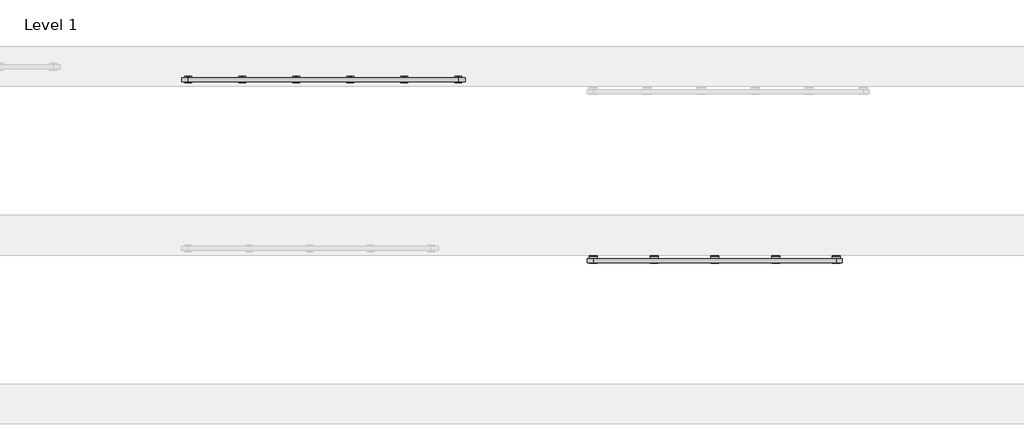
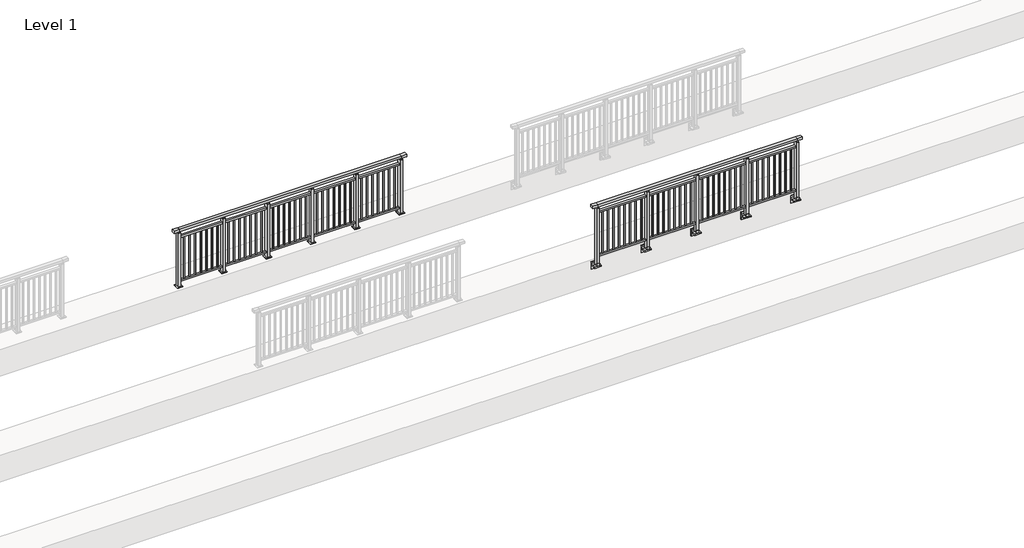
# One storey, part 7 of 37: 2 railings.
"""IFC4 building model written with IfcOpenShell, lengths in millimetres."""

from ifc_helpers import new_model, si_unit, point, frame, frame_2d, origin, origin_with_axes, place, context, project, spatial, polyline, circle_curve, trimmed, segment, composite_curve, outline, extrude, faceted_brep, element, save

model = new_model("IFC4")

# Units and contexts
model_context = context("Model", 3, world=origin())
ifc_project = project(units=[si_unit("LENGTHUNIT", "METRE", prefix="MILLI")], contexts=[model_context])

# Site, building, storey
site = spatial("IfcSite", under=ifc_project)
building = spatial("IfcBuilding", under=site)
storey = spatial("IfcBuildingStorey", under=building, Name="Level 1", Elevation=0.0)

# Railings
placement = place(None, origin())
element("IfcRailing", 1, at=placement, inside=storey, context=model_context, shape_type="SolidModel", body=[
    faceted_brep([(11910.0, 4847.6846828, 1100.0), (11910.0, 4847.6846828, 1055.0), (11910.0, 4787.6846828, 1055.0), (11910.0, 4787.6846828, 1100.0), (12000.0, 4847.6846828, 1100.0), (12000.0, 4847.6846828, 1055.0), (12000.0, 4787.6846828, 1055.0), (12000.0, 4787.6846828, 1100.0), (15600.0, 4847.6846828, 1100.0), (15600.0, 4847.6846828, 1055.0), (15600.0, 4787.6846828, 1055.0), (15600.0, 4787.6846828, 1100.0), (15690.0, 4847.6846828, 1100.0), (15690.0, 4787.6846828, 1100.0), (15690.0, 4787.6846828, 1055.0), (15690.0, 4847.6846828, 1055.0)], [[[0, 1, 2, 3]], [[1, 0, 4, 5]], [[2, 1, 5, 6]], [[3, 2, 6, 7]], [[0, 3, 7, 4]], [[5, 4, 8, 9]], [[6, 5, 9, 10]], [[7, 6, 10, 11]], [[4, 7, 11, 8]], [[12, 13, 14, 15]], [[9, 8, 12, 15]], [[10, 9, 15, 14]], [[11, 10, 14, 13]], [[8, 11, 13, 12]]]),
    extrude(outline(polyline([(12000.0, 4800.1846828), (12000.0, 4835.1846828), (15600.0, 4835.1846828), (15600.0, 4800.1846828), (12000.0, 4800.1846828)])), frame((0.0, 0.0, 930.0), z_axis=(0.0, 0.0, 1.0), x_axis=(1.0, 0.0, 0.0)), (0.0, 0.0, 1.0), 30.0),
    extrude(outline(polyline([(12000.0, 4800.1846828), (12000.0, 4835.1846828), (15600.0, 4835.1846828), (15600.0, 4800.1846828), (12000.0, 4800.1846828)])), frame((0.0, 0.0, 95.0), z_axis=(0.0, 0.0, 1.0), x_axis=(1.0, 0.0, 0.0)), (0.0, 0.0, 1.0), 30.0),
    extrude(outline(polyline([(15508.5, 4809.1846828), (15491.5, 4809.1846828), (15491.5, 4826.1846828), (15508.5, 4826.1846828), (15508.5, 4809.1846828)])), frame((0.0, 0.0, 125.0), z_axis=(0.0, 0.0, 1.0), x_axis=(1.0, 0.0, 0.0)), (0.0, 0.0, 1.0), 805.0),
    extrude(outline(polyline([(15408.5, 4809.1846828), (15391.5, 4809.1846828), (15391.5, 4826.1846828), (15408.5, 4826.1846828), (15408.5, 4809.1846828)])), frame((0.0, 0.0, 125.0), z_axis=(0.0, 0.0, 1.0), x_axis=(1.0, 0.0, 0.0)), (0.0, 0.0, 1.0), 805.0),
    extrude(outline(polyline([(15308.5, 4809.1846828), (15291.5, 4809.1846828), (15291.5, 4826.1846828), (15308.5, 4826.1846828), (15308.5, 4809.1846828)])), frame((0.0, 0.0, 125.0), z_axis=(0.0, 0.0, 1.0), x_axis=(1.0, 0.0, 0.0)), (0.0, 0.0, 1.0), 805.0),
    extrude(outline(polyline([(15208.5, 4809.1846828), (15191.5, 4809.1846828), (15191.5, 4826.1846828), (15208.5, 4826.1846828), (15208.5, 4809.1846828)])), frame((0.0, 0.0, 125.0), z_axis=(0.0, 0.0, 1.0), x_axis=(1.0, 0.0, 0.0)), (0.0, 0.0, 1.0), 805.0),
    extrude(outline(polyline([(15108.5, 4809.1846828), (15091.5, 4809.1846828), (15091.5, 4826.1846828), (15108.5, 4826.1846828), (15108.5, 4809.1846828)])), frame((0.0, 0.0, 125.0), z_axis=(0.0, 0.0, 1.0), x_axis=(1.0, 0.0, 0.0)), (0.0, 0.0, 1.0), 805.0),
    extrude(outline(polyline([(15008.5, 4809.1846828), (14991.5, 4809.1846828), (14991.5, 4826.1846828), (15008.5, 4826.1846828), (15008.5, 4809.1846828)])), frame((0.0, 0.0, 125.0), z_axis=(0.0, 0.0, 1.0), x_axis=(1.0, 0.0, 0.0)), (0.0, 0.0, 1.0), 805.0),
    extrude(outline(polyline([(14908.5, 4809.1846828), (14891.5, 4809.1846828), (14891.5, 4826.1846828), (14908.5, 4826.1846828), (14908.5, 4809.1846828)])), frame((0.0, 0.0, 125.0), z_axis=(0.0, 0.0, 1.0), x_axis=(1.0, 0.0, 0.0)), (0.0, 0.0, 1.0), 805.0),
    extrude(outline(polyline([(14808.5, 4809.1846828), (14791.5, 4809.1846828), (14791.5, 4826.1846828), (14808.5, 4826.1846828), (14808.5, 4809.1846828)])), frame((0.0, 0.0, 125.0), z_axis=(0.0, 0.0, 1.0), x_axis=(1.0, 0.0, 0.0)), (0.0, 0.0, 1.0), 805.0),
    extrude(outline(composite_curve([segment(polyline([(4850.1846828, -70.0), (4884.1846828, -63.0), (4884.1846828, -32.5), (4900.1846828, -32.5), (4900.1846828, -167.5), (4884.1846828, -167.5), (4884.1846828, -113.5)]), True, "CONTINUOUS"), segment(trimmed(circle_curve(frame_2d((4864.1846828, -113.5)), 20.0), [point((4884.1846828, -113.5))], [point((4864.1846828, -93.5))], True, "CARTESIAN"), True, "CONTINUOUS"), segment(polyline([(4864.1846828, -93.5), (4780.1846828, -93.5), (4780.1846828, -70.0), (4850.1846828, -70.0)]), True, "CONTINUOUS")], self_intersect=False)), frame((14640.0, 0.0, 0.0), z_axis=(1.0, 0.0, 0.0), x_axis=(0.0, 1.0, 0.0)), (0.0, 0.0, 1.0), 120.0),
    extrude(outline(polyline([(14722.5, 4850.1846828), (14722.5, 4785.1846828), (14677.5, 4785.1846828), (14677.5, 4850.1846828), (14722.5, 4850.1846828)])), frame((0.0, 0.0, -70.0), z_axis=(0.0, 0.0, 1.0), x_axis=(1.0, 0.0, 0.0)), (0.0, 0.0, 1.0), 1097.0),
    extrude(outline(polyline([(14710.0, 4827.6846828), (14710.0, 4807.6846828), (14690.0, 4807.6846828), (14690.0, 4827.6846828), (14710.0, 4827.6846828)])), frame((0.0, 0.0, 1035.0), z_axis=(0.0, 0.0, 1.0), x_axis=(1.0, 0.0, 0.0)), (0.0, 0.0, 1.0), 20.0),
    extrude(outline(polyline([(14722.5, 4850.1846828), (14722.5, 4785.1846828), (14677.5, 4785.1846828), (14677.5, 4850.1846828), (14722.5, 4850.1846828)])), frame((0.0, 0.0, 1027.0), z_axis=(0.0, 0.0, 1.0), x_axis=(1.0, 0.0, 0.0)), (0.0, 0.0, 1.0), 8.0),
    extrude(outline(polyline([(14608.5, 4809.1846828), (14591.5, 4809.1846828), (14591.5, 4826.1846828), (14608.5, 4826.1846828), (14608.5, 4809.1846828)])), frame((0.0, 0.0, 125.0), z_axis=(0.0, 0.0, 1.0), x_axis=(1.0, 0.0, 0.0)), (0.0, 0.0, 1.0), 805.0),
    extrude(outline(polyline([(14508.5, 4809.1846828), (14491.5, 4809.1846828), (14491.5, 4826.1846828), (14508.5, 4826.1846828), (14508.5, 4809.1846828)])), frame((0.0, 0.0, 125.0), z_axis=(0.0, 0.0, 1.0), x_axis=(1.0, 0.0, 0.0)), (0.0, 0.0, 1.0), 805.0),
    extrude(outline(polyline([(14408.5, 4809.1846828), (14391.5, 4809.1846828), (14391.5, 4826.1846828), (14408.5, 4826.1846828), (14408.5, 4809.1846828)])), frame((0.0, 0.0, 125.0), z_axis=(0.0, 0.0, 1.0), x_axis=(1.0, 0.0, 0.0)), (0.0, 0.0, 1.0), 805.0),
    extrude(outline(polyline([(14308.5, 4809.1846828), (14291.5, 4809.1846828), (14291.5, 4826.1846828), (14308.5, 4826.1846828), (14308.5, 4809.1846828)])), frame((0.0, 0.0, 125.0), z_axis=(0.0, 0.0, 1.0), x_axis=(1.0, 0.0, 0.0)), (0.0, 0.0, 1.0), 805.0),
    extrude(outline(polyline([(14208.5, 4809.1846828), (14191.5, 4809.1846828), (14191.5, 4826.1846828), (14208.5, 4826.1846828), (14208.5, 4809.1846828)])), frame((0.0, 0.0, 125.0), z_axis=(0.0, 0.0, 1.0), x_axis=(1.0, 0.0, 0.0)), (0.0, 0.0, 1.0), 805.0),
    extrude(outline(polyline([(14108.5, 4809.1846828), (14091.5, 4809.1846828), (14091.5, 4826.1846828), (14108.5, 4826.1846828), (14108.5, 4809.1846828)])), frame((0.0, 0.0, 125.0), z_axis=(0.0, 0.0, 1.0), x_axis=(1.0, 0.0, 0.0)), (0.0, 0.0, 1.0), 805.0),
    extrude(outline(polyline([(14008.5, 4809.1846828), (13991.5, 4809.1846828), (13991.5, 4826.1846828), (14008.5, 4826.1846828), (14008.5, 4809.1846828)])), frame((0.0, 0.0, 125.0), z_axis=(0.0, 0.0, 1.0), x_axis=(1.0, 0.0, 0.0)), (0.0, 0.0, 1.0), 805.0),
    extrude(outline(polyline([(13908.5, 4809.1846828), (13891.5, 4809.1846828), (13891.5, 4826.1846828), (13908.5, 4826.1846828), (13908.5, 4809.1846828)])), frame((0.0, 0.0, 125.0), z_axis=(0.0, 0.0, 1.0), x_axis=(1.0, 0.0, 0.0)), (0.0, 0.0, 1.0), 805.0),
    extrude(outline(composite_curve([segment(polyline([(4850.1846828, -70.0), (4884.1846828, -63.0), (4884.1846828, -32.5), (4900.1846828, -32.5), (4900.1846828, -167.5), (4884.1846828, -167.5), (4884.1846828, -113.5)]), True, "CONTINUOUS"), segment(trimmed(circle_curve(frame_2d((4864.1846828, -113.5)), 20.0), [point((4884.1846828, -113.5))], [point((4864.1846828, -93.5))], True, "CARTESIAN"), True, "CONTINUOUS"), segment(polyline([(4864.1846828, -93.5), (4780.1846828, -93.5), (4780.1846828, -70.0), (4850.1846828, -70.0)]), True, "CONTINUOUS")], self_intersect=False)), frame((13740.0, 0.0, 0.0), z_axis=(1.0, 0.0, 0.0), x_axis=(0.0, 1.0, 0.0)), (0.0, 0.0, 1.0), 120.0),
    extrude(outline(polyline([(13822.5, 4850.1846828), (13822.5, 4785.1846828), (13777.5, 4785.1846828), (13777.5, 4850.1846828), (13822.5, 4850.1846828)])), frame((0.0, 0.0, -70.0), z_axis=(0.0, 0.0, 1.0), x_axis=(1.0, 0.0, 0.0)), (0.0, 0.0, 1.0), 1097.0),
    extrude(outline(polyline([(13810.0, 4827.6846828), (13810.0, 4807.6846828), (13790.0, 4807.6846828), (13790.0, 4827.6846828), (13810.0, 4827.6846828)])), frame((0.0, 0.0, 1035.0), z_axis=(0.0, 0.0, 1.0), x_axis=(1.0, 0.0, 0.0)), (0.0, 0.0, 1.0), 20.0),
    extrude(outline(polyline([(13822.5, 4850.1846828), (13822.5, 4785.1846828), (13777.5, 4785.1846828), (13777.5, 4850.1846828), (13822.5, 4850.1846828)])), frame((0.0, 0.0, 1027.0), z_axis=(0.0, 0.0, 1.0), x_axis=(1.0, 0.0, 0.0)), (0.0, 0.0, 1.0), 8.0),
    extrude(outline(polyline([(13708.5, 4809.1846828), (13691.5, 4809.1846828), (13691.5, 4826.1846828), (13708.5, 4826.1846828), (13708.5, 4809.1846828)])), frame((0.0, 0.0, 125.0), z_axis=(0.0, 0.0, 1.0), x_axis=(1.0, 0.0, 0.0)), (0.0, 0.0, 1.0), 805.0),
    extrude(outline(polyline([(13608.5, 4809.1846828), (13591.5, 4809.1846828), (13591.5, 4826.1846828), (13608.5, 4826.1846828), (13608.5, 4809.1846828)])), frame((0.0, 0.0, 125.0), z_axis=(0.0, 0.0, 1.0), x_axis=(1.0, 0.0, 0.0)), (0.0, 0.0, 1.0), 805.0),
    extrude(outline(polyline([(13508.5, 4809.1846828), (13491.5, 4809.1846828), (13491.5, 4826.1846828), (13508.5, 4826.1846828), (13508.5, 4809.1846828)])), frame((0.0, 0.0, 125.0), z_axis=(0.0, 0.0, 1.0), x_axis=(1.0, 0.0, 0.0)), (0.0, 0.0, 1.0), 805.0),
    extrude(outline(polyline([(13408.5, 4809.1846828), (13391.5, 4809.1846828), (13391.5, 4826.1846828), (13408.5, 4826.1846828), (13408.5, 4809.1846828)])), frame((0.0, 0.0, 125.0), z_axis=(0.0, 0.0, 1.0), x_axis=(1.0, 0.0, 0.0)), (0.0, 0.0, 1.0), 805.0),
    extrude(outline(polyline([(13308.5, 4809.1846828), (13291.5, 4809.1846828), (13291.5, 4826.1846828), (13308.5, 4826.1846828), (13308.5, 4809.1846828)])), frame((0.0, 0.0, 125.0), z_axis=(0.0, 0.0, 1.0), x_axis=(1.0, 0.0, 0.0)), (0.0, 0.0, 1.0), 805.0),
    extrude(outline(polyline([(13208.5, 4809.1846828), (13191.5, 4809.1846828), (13191.5, 4826.1846828), (13208.5, 4826.1846828), (13208.5, 4809.1846828)])), frame((0.0, 0.0, 125.0), z_axis=(0.0, 0.0, 1.0), x_axis=(1.0, 0.0, 0.0)), (0.0, 0.0, 1.0), 805.0),
    extrude(outline(polyline([(13108.5, 4809.1846828), (13091.5, 4809.1846828), (13091.5, 4826.1846828), (13108.5, 4826.1846828), (13108.5, 4809.1846828)])), frame((0.0, 0.0, 125.0), z_axis=(0.0, 0.0, 1.0), x_axis=(1.0, 0.0, 0.0)), (0.0, 0.0, 1.0), 805.0),
    extrude(outline(polyline([(13008.5, 4809.1846828), (12991.5, 4809.1846828), (12991.5, 4826.1846828), (13008.5, 4826.1846828), (13008.5, 4809.1846828)])), frame((0.0, 0.0, 125.0), z_axis=(0.0, 0.0, 1.0), x_axis=(1.0, 0.0, 0.0)), (0.0, 0.0, 1.0), 805.0),
    extrude(outline(composite_curve([segment(polyline([(4850.1846828, -70.0), (4884.1846828, -63.0), (4884.1846828, -32.5), (4900.1846828, -32.5), (4900.1846828, -167.5), (4884.1846828, -167.5), (4884.1846828, -113.5)]), True, "CONTINUOUS"), segment(trimmed(circle_curve(frame_2d((4864.1846828, -113.5)), 20.0), [point((4884.1846828, -113.5))], [point((4864.1846828, -93.5))], True, "CARTESIAN"), True, "CONTINUOUS"), segment(polyline([(4864.1846828, -93.5), (4780.1846828, -93.5), (4780.1846828, -70.0), (4850.1846828, -70.0)]), True, "CONTINUOUS")], self_intersect=False)), frame((12840.0, 0.0, 0.0), z_axis=(1.0, 0.0, 0.0), x_axis=(0.0, 1.0, 0.0)), (0.0, 0.0, 1.0), 120.0),
    extrude(outline(polyline([(12922.5, 4850.1846828), (12922.5, 4785.1846828), (12877.5, 4785.1846828), (12877.5, 4850.1846828), (12922.5, 4850.1846828)])), frame((0.0, 0.0, -70.0), z_axis=(0.0, 0.0, 1.0), x_axis=(1.0, 0.0, 0.0)), (0.0, 0.0, 1.0), 1097.0),
    extrude(outline(polyline([(12910.0, 4827.6846828), (12910.0, 4807.6846828), (12890.0, 4807.6846828), (12890.0, 4827.6846828), (12910.0, 4827.6846828)])), frame((0.0, 0.0, 1035.0), z_axis=(0.0, 0.0, 1.0), x_axis=(1.0, 0.0, 0.0)), (0.0, 0.0, 1.0), 20.0),
    extrude(outline(polyline([(12922.5, 4850.1846828), (12922.5, 4785.1846828), (12877.5, 4785.1846828), (12877.5, 4850.1846828), (12922.5, 4850.1846828)])), frame((0.0, 0.0, 1027.0), z_axis=(0.0, 0.0, 1.0), x_axis=(1.0, 0.0, 0.0)), (0.0, 0.0, 1.0), 8.0),
    extrude(outline(polyline([(12808.5, 4809.1846828), (12791.5, 4809.1846828), (12791.5, 4826.1846828), (12808.5, 4826.1846828), (12808.5, 4809.1846828)])), frame((0.0, 0.0, 125.0), z_axis=(0.0, 0.0, 1.0), x_axis=(1.0, 0.0, 0.0)), (0.0, 0.0, 1.0), 805.0),
    extrude(outline(polyline([(12708.5, 4809.1846828), (12691.5, 4809.1846828), (12691.5, 4826.1846828), (12708.5, 4826.1846828), (12708.5, 4809.1846828)])), frame((0.0, 0.0, 125.0), z_axis=(0.0, 0.0, 1.0), x_axis=(1.0, 0.0, 0.0)), (0.0, 0.0, 1.0), 805.0),
    extrude(outline(polyline([(12608.5, 4809.1846828), (12591.5, 4809.1846828), (12591.5, 4826.1846828), (12608.5, 4826.1846828), (12608.5, 4809.1846828)])), frame((0.0, 0.0, 125.0), z_axis=(0.0, 0.0, 1.0), x_axis=(1.0, 0.0, 0.0)), (0.0, 0.0, 1.0), 805.0),
    extrude(outline(polyline([(12508.5, 4809.1846828), (12491.5, 4809.1846828), (12491.5, 4826.1846828), (12508.5, 4826.1846828), (12508.5, 4809.1846828)])), frame((0.0, 0.0, 125.0), z_axis=(0.0, 0.0, 1.0), x_axis=(1.0, 0.0, 0.0)), (0.0, 0.0, 1.0), 805.0),
    extrude(outline(polyline([(12408.5, 4809.1846828), (12391.5, 4809.1846828), (12391.5, 4826.1846828), (12408.5, 4826.1846828), (12408.5, 4809.1846828)])), frame((0.0, 0.0, 125.0), z_axis=(0.0, 0.0, 1.0), x_axis=(1.0, 0.0, 0.0)), (0.0, 0.0, 1.0), 805.0),
    extrude(outline(polyline([(12308.5, 4809.1846828), (12291.5, 4809.1846828), (12291.5, 4826.1846828), (12308.5, 4826.1846828), (12308.5, 4809.1846828)])), frame((0.0, 0.0, 125.0), z_axis=(0.0, 0.0, 1.0), x_axis=(1.0, 0.0, 0.0)), (0.0, 0.0, 1.0), 805.0),
    extrude(outline(polyline([(12208.5, 4809.1846828), (12191.5, 4809.1846828), (12191.5, 4826.1846828), (12208.5, 4826.1846828), (12208.5, 4809.1846828)])), frame((0.0, 0.0, 125.0), z_axis=(0.0, 0.0, 1.0), x_axis=(1.0, 0.0, 0.0)), (0.0, 0.0, 1.0), 805.0),
    extrude(outline(polyline([(12108.5, 4809.1846828), (12091.5, 4809.1846828), (12091.5, 4826.1846828), (12108.5, 4826.1846828), (12108.5, 4809.1846828)])), frame((0.0, 0.0, 125.0), z_axis=(0.0, 0.0, 1.0), x_axis=(1.0, 0.0, 0.0)), (0.0, 0.0, 1.0), 805.0),
    extrude(outline(composite_curve([segment(polyline([(4850.1846828, -70.0), (4884.1846828, -63.0), (4884.1846828, -32.5), (4900.1846828, -32.5), (4900.1846828, -167.5), (4884.1846828, -167.5), (4884.1846828, -113.5)]), True, "CONTINUOUS"), segment(trimmed(circle_curve(frame_2d((4864.1846828, -113.5)), 20.0), [point((4884.1846828, -113.5))], [point((4864.1846828, -93.5))], True, "CARTESIAN"), True, "CONTINUOUS"), segment(polyline([(4864.1846828, -93.5), (4780.1846828, -93.5), (4780.1846828, -70.0), (4850.1846828, -70.0)]), True, "CONTINUOUS")], self_intersect=False)), frame((15540.0, 0.0, 0.0), z_axis=(1.0, 0.0, 0.0), x_axis=(0.0, 1.0, 0.0)), (0.0, 0.0, 1.0), 120.0),
    extrude(outline(polyline([(15622.5, 4850.1846828), (15622.5, 4785.1846828), (15577.5, 4785.1846828), (15577.5, 4850.1846828), (15622.5, 4850.1846828)])), frame((0.0, 0.0, -70.0), z_axis=(0.0, 0.0, 1.0), x_axis=(1.0, 0.0, 0.0)), (0.0, 0.0, 1.0), 1097.0),
    extrude(outline(polyline([(15610.0, 4827.6846828), (15610.0, 4807.6846828), (15590.0, 4807.6846828), (15590.0, 4827.6846828), (15610.0, 4827.6846828)])), frame((0.0, 0.0, 1035.0), z_axis=(0.0, 0.0, 1.0), x_axis=(1.0, 0.0, 0.0)), (0.0, 0.0, 1.0), 20.0),
    extrude(outline(polyline([(15622.5, 4850.1846828), (15622.5, 4785.1846828), (15577.5, 4785.1846828), (15577.5, 4850.1846828), (15622.5, 4850.1846828)])), frame((0.0, 0.0, 1027.0), z_axis=(0.0, 0.0, 1.0), x_axis=(1.0, 0.0, 0.0)), (0.0, 0.0, 1.0), 8.0),
    extrude(outline(composite_curve([segment(polyline([(4850.1846828, -70.0), (4884.1846828, -63.0), (4884.1846828, -32.5), (4900.1846828, -32.5), (4900.1846828, -167.5), (4884.1846828, -167.5), (4884.1846828, -113.5)]), True, "CONTINUOUS"), segment(trimmed(circle_curve(frame_2d((4864.1846828, -113.5)), 20.0), [point((4884.1846828, -113.5))], [point((4864.1846828, -93.5))], True, "CARTESIAN"), True, "CONTINUOUS"), segment(polyline([(4864.1846828, -93.5), (4780.1846828, -93.5), (4780.1846828, -70.0), (4850.1846828, -70.0)]), True, "CONTINUOUS")], self_intersect=False)), frame((11940.0, 0.0, 0.0), z_axis=(1.0, 0.0, 0.0), x_axis=(0.0, 1.0, 0.0)), (0.0, 0.0, 1.0), 120.0),
    extrude(outline(polyline([(12022.5, 4850.1846828), (12022.5, 4785.1846828), (11977.5, 4785.1846828), (11977.5, 4850.1846828), (12022.5, 4850.1846828)])), frame((0.0, 0.0, -70.0), z_axis=(0.0, 0.0, 1.0), x_axis=(1.0, 0.0, 0.0)), (0.0, 0.0, 1.0), 1097.0),
    extrude(outline(polyline([(12010.0, 4827.6846828), (12010.0, 4807.6846828), (11990.0, 4807.6846828), (11990.0, 4827.6846828), (12010.0, 4827.6846828)])), frame((0.0, 0.0, 1035.0), z_axis=(0.0, 0.0, 1.0), x_axis=(1.0, 0.0, 0.0)), (0.0, 0.0, 1.0), 20.0),
    extrude(outline(polyline([(12022.5, 4850.1846828), (12022.5, 4785.1846828), (11977.5, 4785.1846828), (11977.5, 4850.1846828), (12022.5, 4850.1846828)])), frame((0.0, 0.0, 1027.0), z_axis=(0.0, 0.0, 1.0), x_axis=(1.0, 0.0, 0.0)), (0.0, 0.0, 1.0), 8.0),
])
element("IfcRailing", 2, at=placement, inside=storey, context=model_context, shape_type="SolidModel", body=[
    faceted_brep([(6000.0, 7530.1846828, 1055.0), (6000.0, 7530.1846828, 1100.0), (10000.0, 7530.1846828, 1100.0), (10000.0, 7530.1846828, 1055.0), (6000.0, 7470.1846828, 1055.0), (10000.0, 7470.1846828, 1055.0), (6000.0, 7470.1846828, 1100.0), (10000.0, 7470.1846828, 1100.0), (5900.0, 7530.1846828, 1100.0), (5900.0, 7530.1846828, 1055.0), (5900.0, 7470.1846828, 1055.0), (5900.0, 7470.1846828, 1100.0), (10100.0, 7530.1846828, 1100.0), (10100.0, 7470.1846828, 1100.0), (10100.0, 7470.1846828, 1055.0), (10100.0, 7530.1846828, 1055.0)], [[[0, 1, 2, 3]], [[4, 0, 3, 5]], [[6, 4, 5, 7]], [[1, 6, 7, 2]], [[8, 9, 10, 11]], [[9, 8, 1, 0]], [[10, 9, 0, 4]], [[11, 10, 4, 6]], [[8, 11, 6, 1]], [[12, 13, 14, 15]], [[3, 2, 12, 15]], [[5, 3, 15, 14]], [[7, 5, 14, 13]], [[2, 7, 13, 12]]]),
    extrude(outline(polyline([(6000.0, 7482.6846828), (6000.0, 7517.6846828), (10000.0, 7517.6846828), (10000.0, 7482.6846828), (6000.0, 7482.6846828)])), frame((0.0, 0.0, 930.0), z_axis=(0.0, 0.0, 1.0), x_axis=(1.0, 0.0, 0.0)), (0.0, 0.0, 1.0), 30.0),
    extrude(outline(polyline([(6000.0, 7482.6846828), (6000.0, 7517.6846828), (10000.0, 7517.6846828), (10000.0, 7482.6846828), (6000.0, 7482.6846828)])), frame((0.0, 0.0, 95.0), z_axis=(0.0, 0.0, 1.0), x_axis=(1.0, 0.0, 0.0)), (0.0, 0.0, 1.0), 30.0),
    extrude(outline(polyline([(9908.5, 7508.6846828), (9908.5, 7491.6846828), (9891.5, 7491.6846828), (9891.5, 7508.6846828), (9908.5, 7508.6846828)])), frame((0.0, 0.0, 125.0), z_axis=(0.0, 0.0, 1.0), x_axis=(1.0, 0.0, 0.0)), (0.0, 0.0, 1.0), 805.0),
    extrude(outline(polyline([(9808.5, 7508.6846828), (9808.5, 7491.6846828), (9791.5, 7491.6846828), (9791.5, 7508.6846828), (9808.5, 7508.6846828)])), frame((0.0, 0.0, 125.0), z_axis=(0.0, 0.0, 1.0), x_axis=(1.0, 0.0, 0.0)), (0.0, 0.0, 1.0), 805.0),
    extrude(outline(polyline([(9708.5, 7508.6846828), (9708.5, 7491.6846828), (9691.5, 7491.6846828), (9691.5, 7508.6846828), (9708.5, 7508.6846828)])), frame((0.0, 0.0, 125.0), z_axis=(0.0, 0.0, 1.0), x_axis=(1.0, 0.0, 0.0)), (0.0, 0.0, 1.0), 805.0),
    extrude(outline(polyline([(9608.5, 7508.6846828), (9608.5, 7491.6846828), (9591.5, 7491.6846828), (9591.5, 7508.6846828), (9608.5, 7508.6846828)])), frame((0.0, 0.0, 125.0), z_axis=(0.0, 0.0, 1.0), x_axis=(1.0, 0.0, 0.0)), (0.0, 0.0, 1.0), 805.0),
    extrude(outline(polyline([(9508.5, 7508.6846828), (9508.5, 7491.6846828), (9491.5, 7491.6846828), (9491.5, 7508.6846828), (9508.5, 7508.6846828)])), frame((0.0, 0.0, 125.0), z_axis=(0.0, 0.0, 1.0), x_axis=(1.0, 0.0, 0.0)), (0.0, 0.0, 1.0), 805.0),
    extrude(outline(polyline([(9408.5, 7508.6846828), (9408.5, 7491.6846828), (9391.5, 7491.6846828), (9391.5, 7508.6846828), (9408.5, 7508.6846828)])), frame((0.0, 0.0, 125.0), z_axis=(0.0, 0.0, 1.0), x_axis=(1.0, 0.0, 0.0)), (0.0, 0.0, 1.0), 805.0),
    extrude(outline(polyline([(9308.5, 7508.6846828), (9308.5, 7491.6846828), (9291.5, 7491.6846828), (9291.5, 7508.6846828), (9308.5, 7508.6846828)])), frame((0.0, 0.0, 125.0), z_axis=(0.0, 0.0, 1.0), x_axis=(1.0, 0.0, 0.0)), (0.0, 0.0, 1.0), 805.0),
    extrude(outline(polyline([(9210.0, 7490.1846828), (9190.0, 7490.1846828), (9190.0, 7510.1846828), (9210.0, 7510.1846828), (9210.0, 7490.1846828)])), frame((0.0, 0.0, 1035.0), z_axis=(0.0, 0.0, 1.0), x_axis=(1.0, 0.0, 0.0)), (0.0, 0.0, 1.0), 20.0),
    extrude(outline(polyline([(9222.5, 7467.6846828), (9177.5, 7467.6846828), (9177.5, 7532.6846828), (9222.5, 7532.6846828), (9222.5, 7467.6846828)])), frame((0.0, 0.0, 1027.0), z_axis=(0.0, 0.0, 1.0), x_axis=(1.0, 0.0, 0.0)), (0.0, 0.0, 1.0), 8.0),
    extrude(outline(polyline([(9250.0, 7450.1846828), (9150.0, 7450.1846828), (9150.0, 7550.1846828), (9250.0, 7550.1846828), (9250.0, 7450.1846828)])), origin_with_axes(), (0.0, 0.0, 1.0), 12.0),
    extrude(outline(polyline([(9222.5, 7467.6846828), (9177.5, 7467.6846828), (9177.5, 7532.6846828), (9222.5, 7532.6846828), (9222.5, 7467.6846828)])), frame((0.0, 0.0, 12.0), z_axis=(0.0, 0.0, 1.0), x_axis=(1.0, 0.0, 0.0)), (0.0, 0.0, 1.0), 1015.0),
    extrude(outline(polyline([(9108.5, 7508.6846828), (9108.5, 7491.6846828), (9091.5, 7491.6846828), (9091.5, 7508.6846828), (9108.5, 7508.6846828)])), frame((0.0, 0.0, 125.0), z_axis=(0.0, 0.0, 1.0), x_axis=(1.0, 0.0, 0.0)), (0.0, 0.0, 1.0), 805.0),
    extrude(outline(polyline([(9008.5, 7508.6846828), (9008.5, 7491.6846828), (8991.5, 7491.6846828), (8991.5, 7508.6846828), (9008.5, 7508.6846828)])), frame((0.0, 0.0, 125.0), z_axis=(0.0, 0.0, 1.0), x_axis=(1.0, 0.0, 0.0)), (0.0, 0.0, 1.0), 805.0),
    extrude(outline(polyline([(8908.5, 7508.6846828), (8908.5, 7491.6846828), (8891.5, 7491.6846828), (8891.5, 7508.6846828), (8908.5, 7508.6846828)])), frame((0.0, 0.0, 125.0), z_axis=(0.0, 0.0, 1.0), x_axis=(1.0, 0.0, 0.0)), (0.0, 0.0, 1.0), 805.0),
    extrude(outline(polyline([(8808.5, 7508.6846828), (8808.5, 7491.6846828), (8791.5, 7491.6846828), (8791.5, 7508.6846828), (8808.5, 7508.6846828)])), frame((0.0, 0.0, 125.0), z_axis=(0.0, 0.0, 1.0), x_axis=(1.0, 0.0, 0.0)), (0.0, 0.0, 1.0), 805.0),
    extrude(outline(polyline([(8708.5, 7508.6846828), (8708.5, 7491.6846828), (8691.5, 7491.6846828), (8691.5, 7508.6846828), (8708.5, 7508.6846828)])), frame((0.0, 0.0, 125.0), z_axis=(0.0, 0.0, 1.0), x_axis=(1.0, 0.0, 0.0)), (0.0, 0.0, 1.0), 805.0),
    extrude(outline(polyline([(8608.5, 7508.6846828), (8608.5, 7491.6846828), (8591.5, 7491.6846828), (8591.5, 7508.6846828), (8608.5, 7508.6846828)])), frame((0.0, 0.0, 125.0), z_axis=(0.0, 0.0, 1.0), x_axis=(1.0, 0.0, 0.0)), (0.0, 0.0, 1.0), 805.0),
    extrude(outline(polyline([(8508.5, 7508.6846828), (8508.5, 7491.6846828), (8491.5, 7491.6846828), (8491.5, 7508.6846828), (8508.5, 7508.6846828)])), frame((0.0, 0.0, 125.0), z_axis=(0.0, 0.0, 1.0), x_axis=(1.0, 0.0, 0.0)), (0.0, 0.0, 1.0), 805.0),
    extrude(outline(polyline([(8410.0, 7490.1846828), (8390.0, 7490.1846828), (8390.0, 7510.1846828), (8410.0, 7510.1846828), (8410.0, 7490.1846828)])), frame((0.0, 0.0, 1035.0), z_axis=(0.0, 0.0, 1.0), x_axis=(1.0, 0.0, 0.0)), (0.0, 0.0, 1.0), 20.0),
    extrude(outline(polyline([(8422.5, 7467.6846828), (8377.5, 7467.6846828), (8377.5, 7532.6846828), (8422.5, 7532.6846828), (8422.5, 7467.6846828)])), frame((0.0, 0.0, 1027.0), z_axis=(0.0, 0.0, 1.0), x_axis=(1.0, 0.0, 0.0)), (0.0, 0.0, 1.0), 8.0),
    extrude(outline(polyline([(8450.0, 7450.1846828), (8350.0, 7450.1846828), (8350.0, 7550.1846828), (8450.0, 7550.1846828), (8450.0, 7450.1846828)])), origin_with_axes(), (0.0, 0.0, 1.0), 12.0),
    extrude(outline(polyline([(8422.5, 7467.6846828), (8377.5, 7467.6846828), (8377.5, 7532.6846828), (8422.5, 7532.6846828), (8422.5, 7467.6846828)])), frame((0.0, 0.0, 12.0), z_axis=(0.0, 0.0, 1.0), x_axis=(1.0, 0.0, 0.0)), (0.0, 0.0, 1.0), 1015.0),
    extrude(outline(polyline([(8308.5, 7508.6846828), (8308.5, 7491.6846828), (8291.5, 7491.6846828), (8291.5, 7508.6846828), (8308.5, 7508.6846828)])), frame((0.0, 0.0, 125.0), z_axis=(0.0, 0.0, 1.0), x_axis=(1.0, 0.0, 0.0)), (0.0, 0.0, 1.0), 805.0),
    extrude(outline(polyline([(8208.5, 7508.6846828), (8208.5, 7491.6846828), (8191.5, 7491.6846828), (8191.5, 7508.6846828), (8208.5, 7508.6846828)])), frame((0.0, 0.0, 125.0), z_axis=(0.0, 0.0, 1.0), x_axis=(1.0, 0.0, 0.0)), (0.0, 0.0, 1.0), 805.0),
    extrude(outline(polyline([(8108.5, 7508.6846828), (8108.5, 7491.6846828), (8091.5, 7491.6846828), (8091.5, 7508.6846828), (8108.5, 7508.6846828)])), frame((0.0, 0.0, 125.0), z_axis=(0.0, 0.0, 1.0), x_axis=(1.0, 0.0, 0.0)), (0.0, 0.0, 1.0), 805.0),
    extrude(outline(polyline([(8008.5, 7508.6846828), (8008.5, 7491.6846828), (7991.5, 7491.6846828), (7991.5, 7508.6846828), (8008.5, 7508.6846828)])), frame((0.0, 0.0, 125.0), z_axis=(0.0, 0.0, 1.0), x_axis=(1.0, 0.0, 0.0)), (0.0, 0.0, 1.0), 805.0),
    extrude(outline(polyline([(7908.5, 7508.6846828), (7908.5, 7491.6846828), (7891.5, 7491.6846828), (7891.5, 7508.6846828), (7908.5, 7508.6846828)])), frame((0.0, 0.0, 125.0), z_axis=(0.0, 0.0, 1.0), x_axis=(1.0, 0.0, 0.0)), (0.0, 0.0, 1.0), 805.0),
    extrude(outline(polyline([(7808.5, 7508.6846828), (7808.5, 7491.6846828), (7791.5, 7491.6846828), (7791.5, 7508.6846828), (7808.5, 7508.6846828)])), frame((0.0, 0.0, 125.0), z_axis=(0.0, 0.0, 1.0), x_axis=(1.0, 0.0, 0.0)), (0.0, 0.0, 1.0), 805.0),
    extrude(outline(polyline([(7708.5, 7508.6846828), (7708.5, 7491.6846828), (7691.5, 7491.6846828), (7691.5, 7508.6846828), (7708.5, 7508.6846828)])), frame((0.0, 0.0, 125.0), z_axis=(0.0, 0.0, 1.0), x_axis=(1.0, 0.0, 0.0)), (0.0, 0.0, 1.0), 805.0),
    extrude(outline(polyline([(7610.0, 7490.1846828), (7590.0, 7490.1846828), (7590.0, 7510.1846828), (7610.0, 7510.1846828), (7610.0, 7490.1846828)])), frame((0.0, 0.0, 1035.0), z_axis=(0.0, 0.0, 1.0), x_axis=(1.0, 0.0, 0.0)), (0.0, 0.0, 1.0), 20.0),
    extrude(outline(polyline([(7622.5, 7467.6846828), (7577.5, 7467.6846828), (7577.5, 7532.6846828), (7622.5, 7532.6846828), (7622.5, 7467.6846828)])), frame((0.0, 0.0, 1027.0), z_axis=(0.0, 0.0, 1.0), x_axis=(1.0, 0.0, 0.0)), (0.0, 0.0, 1.0), 8.0),
    extrude(outline(polyline([(7650.0, 7450.1846828), (7550.0, 7450.1846828), (7550.0, 7550.1846828), (7650.0, 7550.1846828), (7650.0, 7450.1846828)])), origin_with_axes(), (0.0, 0.0, 1.0), 12.0),
    extrude(outline(polyline([(7622.5, 7467.6846828), (7577.5, 7467.6846828), (7577.5, 7532.6846828), (7622.5, 7532.6846828), (7622.5, 7467.6846828)])), frame((0.0, 0.0, 12.0), z_axis=(0.0, 0.0, 1.0), x_axis=(1.0, 0.0, 0.0)), (0.0, 0.0, 1.0), 1015.0),
    extrude(outline(polyline([(7508.5, 7508.6846828), (7508.5, 7491.6846828), (7491.5, 7491.6846828), (7491.5, 7508.6846828), (7508.5, 7508.6846828)])), frame((0.0, 0.0, 125.0), z_axis=(0.0, 0.0, 1.0), x_axis=(1.0, 0.0, 0.0)), (0.0, 0.0, 1.0), 805.0),
    extrude(outline(polyline([(7408.5, 7508.6846828), (7408.5, 7491.6846828), (7391.5, 7491.6846828), (7391.5, 7508.6846828), (7408.5, 7508.6846828)])), frame((0.0, 0.0, 125.0), z_axis=(0.0, 0.0, 1.0), x_axis=(1.0, 0.0, 0.0)), (0.0, 0.0, 1.0), 805.0),
    extrude(outline(polyline([(7308.5, 7508.6846828), (7308.5, 7491.6846828), (7291.5, 7491.6846828), (7291.5, 7508.6846828), (7308.5, 7508.6846828)])), frame((0.0, 0.0, 125.0), z_axis=(0.0, 0.0, 1.0), x_axis=(1.0, 0.0, 0.0)), (0.0, 0.0, 1.0), 805.0),
    extrude(outline(polyline([(7208.5, 7508.6846828), (7208.5, 7491.6846828), (7191.5, 7491.6846828), (7191.5, 7508.6846828), (7208.5, 7508.6846828)])), frame((0.0, 0.0, 125.0), z_axis=(0.0, 0.0, 1.0), x_axis=(1.0, 0.0, 0.0)), (0.0, 0.0, 1.0), 805.0),
    extrude(outline(polyline([(7108.5, 7508.6846828), (7108.5, 7491.6846828), (7091.5, 7491.6846828), (7091.5, 7508.6846828), (7108.5, 7508.6846828)])), frame((0.0, 0.0, 125.0), z_axis=(0.0, 0.0, 1.0), x_axis=(1.0, 0.0, 0.0)), (0.0, 0.0, 1.0), 805.0),
    extrude(outline(polyline([(7008.5, 7508.6846828), (7008.5, 7491.6846828), (6991.5, 7491.6846828), (6991.5, 7508.6846828), (7008.5, 7508.6846828)])), frame((0.0, 0.0, 125.0), z_axis=(0.0, 0.0, 1.0), x_axis=(1.0, 0.0, 0.0)), (0.0, 0.0, 1.0), 805.0),
    extrude(outline(polyline([(6908.5, 7508.6846828), (6908.5, 7491.6846828), (6891.5, 7491.6846828), (6891.5, 7508.6846828), (6908.5, 7508.6846828)])), frame((0.0, 0.0, 125.0), z_axis=(0.0, 0.0, 1.0), x_axis=(1.0, 0.0, 0.0)), (0.0, 0.0, 1.0), 805.0),
    extrude(outline(polyline([(6810.0, 7490.1846828), (6790.0, 7490.1846828), (6790.0, 7510.1846828), (6810.0, 7510.1846828), (6810.0, 7490.1846828)])), frame((0.0, 0.0, 1035.0), z_axis=(0.0, 0.0, 1.0), x_axis=(1.0, 0.0, 0.0)), (0.0, 0.0, 1.0), 20.0),
    extrude(outline(polyline([(6822.5, 7467.6846828), (6777.5, 7467.6846828), (6777.5, 7532.6846828), (6822.5, 7532.6846828), (6822.5, 7467.6846828)])), frame((0.0, 0.0, 1027.0), z_axis=(0.0, 0.0, 1.0), x_axis=(1.0, 0.0, 0.0)), (0.0, 0.0, 1.0), 8.0),
    extrude(outline(polyline([(6850.0, 7450.1846828), (6750.0, 7450.1846828), (6750.0, 7550.1846828), (6850.0, 7550.1846828), (6850.0, 7450.1846828)])), origin_with_axes(), (0.0, 0.0, 1.0), 12.0),
    extrude(outline(polyline([(6822.5, 7467.6846828), (6777.5, 7467.6846828), (6777.5, 7532.6846828), (6822.5, 7532.6846828), (6822.5, 7467.6846828)])), frame((0.0, 0.0, 12.0), z_axis=(0.0, 0.0, 1.0), x_axis=(1.0, 0.0, 0.0)), (0.0, 0.0, 1.0), 1015.0),
    extrude(outline(polyline([(6708.5, 7508.6846828), (6708.5, 7491.6846828), (6691.5, 7491.6846828), (6691.5, 7508.6846828), (6708.5, 7508.6846828)])), frame((0.0, 0.0, 125.0), z_axis=(0.0, 0.0, 1.0), x_axis=(1.0, 0.0, 0.0)), (0.0, 0.0, 1.0), 805.0),
    extrude(outline(polyline([(6608.5, 7508.6846828), (6608.5, 7491.6846828), (6591.5, 7491.6846828), (6591.5, 7508.6846828), (6608.5, 7508.6846828)])), frame((0.0, 0.0, 125.0), z_axis=(0.0, 0.0, 1.0), x_axis=(1.0, 0.0, 0.0)), (0.0, 0.0, 1.0), 805.0),
    extrude(outline(polyline([(6508.5, 7508.6846828), (6508.5, 7491.6846828), (6491.5, 7491.6846828), (6491.5, 7508.6846828), (6508.5, 7508.6846828)])), frame((0.0, 0.0, 125.0), z_axis=(0.0, 0.0, 1.0), x_axis=(1.0, 0.0, 0.0)), (0.0, 0.0, 1.0), 805.0),
    extrude(outline(polyline([(6408.5, 7508.6846828), (6408.5, 7491.6846828), (6391.5, 7491.6846828), (6391.5, 7508.6846828), (6408.5, 7508.6846828)])), frame((0.0, 0.0, 125.0), z_axis=(0.0, 0.0, 1.0), x_axis=(1.0, 0.0, 0.0)), (0.0, 0.0, 1.0), 805.0),
    extrude(outline(polyline([(6308.5, 7508.6846828), (6308.5, 7491.6846828), (6291.5, 7491.6846828), (6291.5, 7508.6846828), (6308.5, 7508.6846828)])), frame((0.0, 0.0, 125.0), z_axis=(0.0, 0.0, 1.0), x_axis=(1.0, 0.0, 0.0)), (0.0, 0.0, 1.0), 805.0),
    extrude(outline(polyline([(6208.5, 7508.6846828), (6208.5, 7491.6846828), (6191.5, 7491.6846828), (6191.5, 7508.6846828), (6208.5, 7508.6846828)])), frame((0.0, 0.0, 125.0), z_axis=(0.0, 0.0, 1.0), x_axis=(1.0, 0.0, 0.0)), (0.0, 0.0, 1.0), 805.0),
    extrude(outline(polyline([(6108.5, 7508.6846828), (6108.5, 7491.6846828), (6091.5, 7491.6846828), (6091.5, 7508.6846828), (6108.5, 7508.6846828)])), frame((0.0, 0.0, 125.0), z_axis=(0.0, 0.0, 1.0), x_axis=(1.0, 0.0, 0.0)), (0.0, 0.0, 1.0), 805.0),
    extrude(outline(polyline([(10010.0, 7490.1846828), (9990.0, 7490.1846828), (9990.0, 7510.1846828), (10010.0, 7510.1846828), (10010.0, 7490.1846828)])), frame((0.0, 0.0, 1035.0), z_axis=(0.0, 0.0, 1.0), x_axis=(1.0, 0.0, 0.0)), (0.0, 0.0, 1.0), 20.0),
    extrude(outline(polyline([(10022.5, 7467.6846828), (9977.5, 7467.6846828), (9977.5, 7532.6846828), (10022.5, 7532.6846828), (10022.5, 7467.6846828)])), frame((0.0, 0.0, 1027.0), z_axis=(0.0, 0.0, 1.0), x_axis=(1.0, 0.0, 0.0)), (0.0, 0.0, 1.0), 8.0),
    extrude(outline(polyline([(10050.0, 7450.1846828), (9950.0, 7450.1846828), (9950.0, 7550.1846828), (10050.0, 7550.1846828), (10050.0, 7450.1846828)])), origin_with_axes(), (0.0, 0.0, 1.0), 12.0),
    extrude(outline(polyline([(10022.5, 7467.6846828), (9977.5, 7467.6846828), (9977.5, 7532.6846828), (10022.5, 7532.6846828), (10022.5, 7467.6846828)])), frame((0.0, 0.0, 12.0), z_axis=(0.0, 0.0, 1.0), x_axis=(1.0, 0.0, 0.0)), (0.0, 0.0, 1.0), 1015.0),
    extrude(outline(polyline([(6010.0, 7490.1846828), (5990.0, 7490.1846828), (5990.0, 7510.1846828), (6010.0, 7510.1846828), (6010.0, 7490.1846828)])), frame((0.0, 0.0, 1035.0), z_axis=(0.0, 0.0, 1.0), x_axis=(1.0, 0.0, 0.0)), (0.0, 0.0, 1.0), 20.0),
    extrude(outline(polyline([(6022.5, 7467.6846828), (5977.5, 7467.6846828), (5977.5, 7532.6846828), (6022.5, 7532.6846828), (6022.5, 7467.6846828)])), frame((0.0, 0.0, 1027.0), z_axis=(0.0, 0.0, 1.0), x_axis=(1.0, 0.0, 0.0)), (0.0, 0.0, 1.0), 8.0),
    extrude(outline(polyline([(6050.0, 7450.1846828), (5950.0, 7450.1846828), (5950.0, 7550.1846828), (6050.0, 7550.1846828), (6050.0, 7450.1846828)])), origin_with_axes(), (0.0, 0.0, 1.0), 12.0),
    extrude(outline(polyline([(6022.5, 7467.6846828), (5977.5, 7467.6846828), (5977.5, 7532.6846828), (6022.5, 7532.6846828), (6022.5, 7467.6846828)])), frame((0.0, 0.0, 12.0), z_axis=(0.0, 0.0, 1.0), x_axis=(1.0, 0.0, 0.0)), (0.0, 0.0, 1.0), 1015.0),
])

save(model, "model.ifc")
